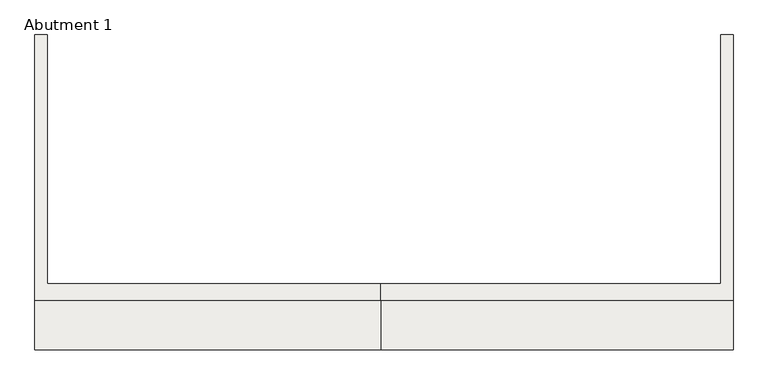
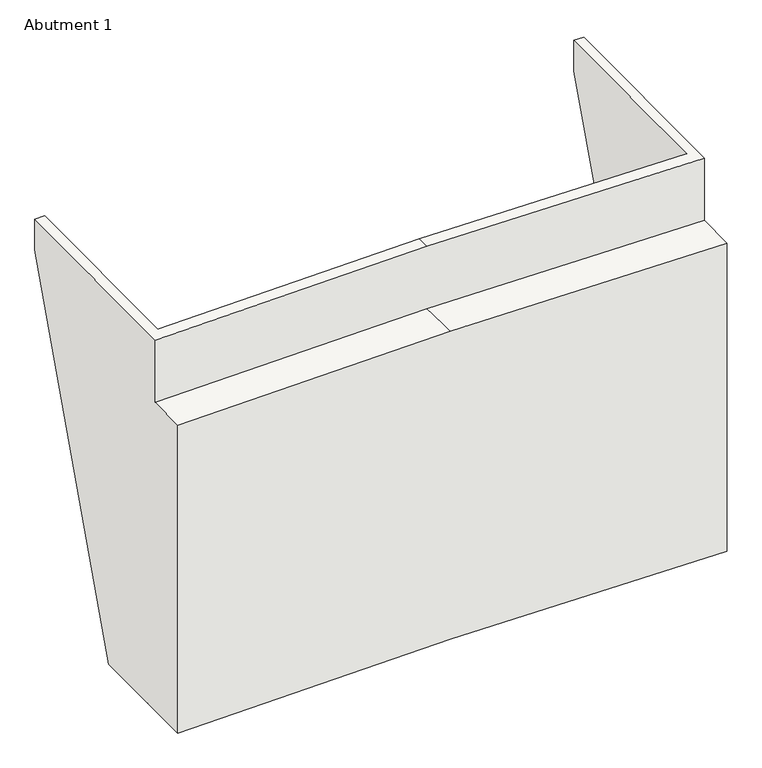
"""IFC4 building model written with IfcOpenShell, lengths in millimetres: slab geometry, Abutment 1."""

from ifc_helpers import new_model, si_unit, origin, place, context, project, spatial, faceted_brep, source, transform, mapped, element, save


def abutment_1_899b09dc(model_context):
    return source(origin(), model_context, "Body", "Brep", [
        faceted_brep([(-8350.0, 3079.442259, -10119.0), (-8350.0, 7000.0, 943.0216349), (-8050.0, 7000.0, 943.0216349), (-8050.0, 3079.442259, -10119.0), (-8050.0, 7000.0, 1947.297084), (-8050.0, 1000.0, 1904.1518013), (-8050.0, 1000.0, -10114.7245509), (-8050.0, 1000.0, -10119.0), (-8350.0, 7000.0, 1943.0216349), (-8350.0, 1000.0, -10119.0), (-8350.0, -600.0, -10119.0), (-8350.0, -600.0, -127.6290565), (-8350.0, 600.0, -119.0), (-8350.0, 600.0, 1897.0), (8500.0, 7000.0, 942.0216349), (8500.0, 3000.0, -10120.0), (8200.0, 3000.0, -10120.0), (8200.0, 7000.0, 942.0216349), (8200.0, 7000.0, 1946.2569291), (8500.0, 7000.0, 1942.0216349), (8500.0, 1000.0, -10120.0), (8200.0, 1000.0, -10120.0), (8200.0, 1000.0, 1903.1116463), (0.0, 1000.0, 2018.8763522), (0.0, 600.0, 2016.0), (8500.0, 600.0, 1896.0), (8500.0, 600.0, -120.0), (8500.0, -600.0, -128.6290565), (8500.0, -600.0, -10120.0), (8200.0, 1000.0, -10115.7647059), (0.0, 1000.0, -10000.0), (0.0, -600.0, -10000.0), (0.0, -600.0, -8.6290565), (0.0, 600.0, 0.0)], [[[0, 1, 2, 3]], [[3, 2, 4, 5, 6, 7]], [[2, 1, 8, 4]], [[1, 0, 9, 10, 11, 12, 13, 8]], [[6, 9, 7]], [[0, 3, 7, 9]], [[14, 15, 16, 17]], [[14, 17, 18, 19]], [[16, 15, 20, 21]], [[22, 23, 24, 25, 19, 18]], [[15, 14, 19, 25, 26, 27, 28, 20]], [[20, 29, 21]], [[17, 16, 21, 29, 22, 18]], [[30, 31, 10, 9, 6]], [[32, 33, 12, 11]], [[13, 24, 23, 5, 4, 8]], [[31, 30, 29, 20, 28]], [[6, 5, 23, 22, 29, 30]], [[33, 26, 25, 24, 13, 12]], [[33, 32, 27, 26]], [[31, 28, 27, 32, 11, 10]]]),
    ])


if __name__ == "__main__":
    model = new_model("IFC4")
    model_context = context("Model", 3, world=origin())
    ifc_project = project(units=[si_unit("LENGTHUNIT", "METRE", prefix="MILLI")], contexts=[model_context])
    site = spatial("IfcSite", under=ifc_project)
    building = spatial("IfcBuilding", under=site)
    placement = place(None, origin())
    abutment_1_shape = abutment_1_899b09dc(model_context)
    element("IfcSlab", 1, ObjectType="Abutment 1", at=placement, inside=building, context=model_context, shape_type="MappedRepresentation", body=[
        mapped(abutment_1_shape, transform((0.0, 0.0, 0.0), x_axis=(1.0, 0.0, 0.0), y_axis=(0.0, 1.0, 0.0), z_axis=(0.0, 0.0, 1.0))),
    ])
    save(model, "model.ifc")
